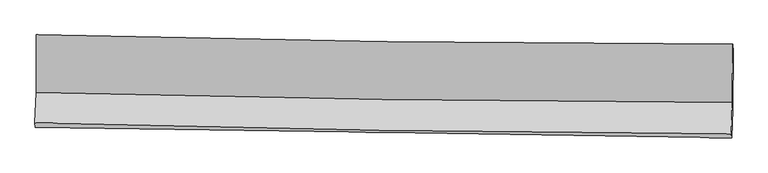
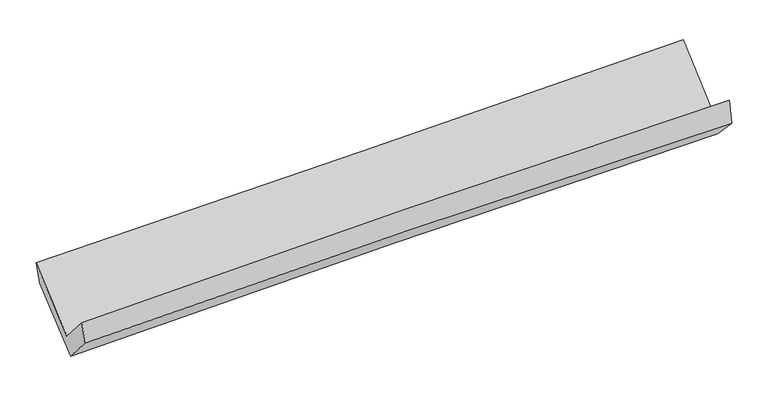
"""IFC4 building model written with IfcOpenShell, lengths in millimetres: proxy geometry."""

from ifc_helpers import new_model, si_unit, frame, origin, place, context, project, spatial, source, transform, mapped, element, save
from ifc_brep_helpers import plane_surface, spline_curve, spline_surface, advanced_brep


def generic_models_259494e6(model_context):
    return source(origin(), model_context, "Body", "AdvancedBrep", [
        advanced_brep(
        [(-3021.7003666, -1156.640919, 2154.8659364), (-3021.5742886, -1659.5997131, 1730.2974416), (3009.264807, -1743.5995812, 1876.6314744), (3012.7460007, -1239.002464, 2307.3700372), (-3032.1129987, -1921.5454701, 2028.9313738), (2998.2757059, -2016.0443581, 2187.0346013), (-3028.9698474, -1958.7322383, 1843.9417408), (3001.0497848, -2051.2878614, 1977.1091705), (-3019.1734658, -1715.4518353, 1566.1647596), (3010.5725751, -1806.4062692, 1719.2420419), (-3019.1742717, -1212.8371159, 1984.3070596), (3014.5616758, -1301.6273699, 2119.9368969)],
        [
            (0, 1),
            (1, 2, spline_curve(3, [(-3021.5742886, -1659.5997131, 1730.2974416), (-2016.33884899, -1685.145956539, 1780.718647199), (-1010.711225845, -1704.92014586, 1818.123043309), (999.569842584, -1732.899940104, 1866.85558666), (2004.221917975, -1741.125706932, 1878.229201612), (3009.264807, -1743.5995812, 1876.6314744)], [4, 2, 4], [0.0, 9.909180970567459, 19.801040477681713])),
            (2, 3),
            (3, 0, spline_curve(3, [(3012.7460007, -1239.002464, 2307.3700372), (2007.640026341, -1236.607499403, 2284.769440062), (1002.656299997, -1228.557510337, 2260.772805894), (-1008.826250685, -1201.123484252, 2209.94299904), (-2015.324647148, -1181.719625151, 2183.104933046), (-3021.7003666, -1156.640919, 2154.8659364)], [4, 2, 4], [0.0, 9.891859507114255, 19.801040477681713])),
            (1, 4),
            (4, 5, spline_curve(3, [(-3032.1129987, -1921.5454701, 2028.9313738), (-2026.904386803, -1947.755416414, 2079.799155989), (-1021.327764207, -1968.737616386, 2118.409127623), (988.80308935, -2000.218985486, 2171.067387426), (1993.356035122, -2010.736414619, 2185.158491008), (2998.2757059, -2016.0443581, 2187.0346013)], [4, 2, 4], [0.0, 9.906702176935665, 19.796087223403205])),
            (5, 2),
            (4, 6),
            (6, 7, spline_curve(3, [(-3028.9698474, -1958.7322383, 1843.9417408), (-2023.55428466, -1974.161476395, 1886.334848557), (-1017.905087242, -1989.595815528, 1918.629569723), (992.102272814, -2020.447707995, 1962.983439402), (1996.459619402, -2035.86524299, 1975.077861553), (3001.0497848, -2051.2878614, 1977.1091705)], [4, 2, 4], [0.0, 9.905541171992937, 19.793767242979595])),
            (7, 5),
            (6, 8),
            (8, 9, spline_curve(3, [(-3019.1734658, -1715.4518353, 1566.1647596), (-2013.436040981, -1724.540104441, 1597.685217677), (-1007.648892217, -1736.673066921, 1626.210428248), (1002.266628528, -1767.001846409, 1677.225726623), (2006.394826693, -1785.187028828, 1699.726276854), (3010.5725751, -1806.4062692, 1719.2420419)], [4, 2, 4], [0.0, 9.90434706128825, 19.791381108901657])),
            (9, 7),
            (8, 10),
            (10, 11, spline_curve(3, [(-3019.1742717, -1212.8371159, 1984.3070596), (-2012.815548502, -1232.686072126, 2010.136180998), (-1006.384947963, -1250.014007431, 2034.361713581), (1004.860618783, -1279.601953162, 2079.566058169), (2009.675334411, -1291.870769079, 2100.550471135), (3014.5616758, -1301.6273699, 2119.9368969)], [4, 2, 4], [0.0, 9.907209187035237, 19.79710035733769])),
            (11, 9),
            (10, 0),
            (3, 11),
        ],
        [
            spline_surface(3, 3, [[(-3021.7003666, -1156.640919, 2154.8659364), (-2015.324647157, -1181.719625061, 2183.104932916), (-1008.82625081, -1201.123484203, 2209.942999044), (1002.656300122, -1228.557510386, 2260.77280589), (2007.640026228, -1236.607499536, 2284.769440005), (3012.7460007, -1239.002464, 2307.3700372)], [(-3021.658340601, -1324.293850367, 2013.343104811), (-2015.662714408, -1349.528402219, 2048.976171009), (-1009.454575814, -1369.055704719, 2079.336347134), (1001.627480947, -1396.671653616, 2129.467066153), (2006.500656841, -1404.780235302, 2149.256027151), (3011.585602803, -1407.201503052, 2163.790516255)], [(-3021.616314599, -1491.946781733, 1871.820273189), (-2016.000781655, -1517.337179374, 1914.847409068), (-1010.082900836, -1536.987925303, 1948.729695212), (1000.598661754, -1564.785796914, 1998.161326404), (2005.361287446, -1572.952971112, 2013.742614334), (3010.425204897, -1575.400542148, 2020.210995345)], [(-3021.5742886, -1659.5997131, 1730.2974416), (-2016.338848906, -1685.145956532, 1780.71864716), (-1010.71122584, -1704.92014582, 1818.123043302), (999.569842579, -1732.899940144, 1866.855586667), (2004.221918059, -1741.125706878, 1878.229201481), (3009.264807, -1743.5995812, 1876.6314744)]], [4, 4], [4, 2, 4], [0.0, 2.096752166522612], [0.0, 9.909180970567459, 19.801040477681713]),
            spline_surface(3, 3, [[(-3021.5742886, -1659.5997131, 1730.2974416), (-2016.338848906, -1685.145956532, 1780.71864716), (-1010.71122584, -1704.92014582, 1818.123043302), (999.569842579, -1732.899940144, 1866.855586667), (2004.221918059, -1741.125706878, 1878.229201481), (3009.264807, -1743.5995812, 1876.6314744)], [(-3025.087191977, -1746.91496546, 1829.842085647), (-2019.860694889, -1772.682443164, 1880.412150043), (-1014.250071974, -1792.859302724, 1918.218404789), (995.980924857, -1822.006288561, 1968.259520192), (2000.599957044, -1830.995942782, 1980.538964714), (3005.601773293, -1834.414506836, 1980.099183384)], [(-3028.600095323, -1834.23021774, 1929.386729753), (-2023.382540842, -1860.218929717, 1980.105652985), (-1017.788918122, -1880.798459601, 2018.313766299), (992.392007121, -1911.112636951, 2069.663453739), (1996.97799605, -1920.866178676, 2082.848727894), (3001.938739607, -1925.229432464, 2083.566892316)], [(-3032.1129987, -1921.5454701, 2028.9313738), (-2026.904386825, -1947.755416349, 2079.799155868), (-1021.327764256, -1968.737616505, 2118.409127786), (988.803089399, -2000.218985367, 2171.067387263), (1993.356035034, -2010.73641458, 2185.158491127), (2998.2757059, -2016.0443581, 2187.0346013)]], [4, 4], [4, 2, 4], [0.0, 1.3204780650130945], [0.0, 9.906702176935665, 19.796087223403205]),
            spline_surface(3, 3, [[(-3032.1129987, -1921.5454701, 2028.9313738), (-2026.904386825, -1947.755416349, 2079.799155868), (-1021.327764256, -1968.737616505, 2118.409127786), (988.803089399, -2000.218985367, 2171.067387263), (1993.356035034, -2010.73641458, 2185.158491127), (2998.2757059, -2016.0443581, 2187.0346013)], [(-3031.065281589, -1933.941059486, 1967.268162806), (-2025.787686145, -1956.557436367, 2015.311053422), (-1020.18687192, -1975.690349561, 2051.815941758), (989.902817229, -2006.961892861, 2101.706071307), (1994.390563161, -2019.112690716, 2115.131614544), (2999.200398867, -2027.792192527, 2117.05945768)], [(-3030.017564511, -1946.336648914, 1905.604951794), (-2024.670985499, -1965.359456426, 1950.822950958), (-1019.045979618, -1982.643082618, 1985.222755744), (991.002545024, -2013.704800355, 2032.344755365), (1995.425091287, -2027.48896687, 2045.104738019), (3000.125091833, -2039.540026973, 2047.08431412)], [(-3028.9698474, -1958.7322383, 1843.9417408), (-2023.554284818, -1974.161476444, 1886.334848511), (-1017.905087282, -1989.595815674, 1918.629569716), (992.102272854, -2020.447707849, 1962.983439409), (1996.459619413, -2035.865243006, 1975.077861436), (3001.0497848, -2051.2878614, 1977.1091705)]], [4, 4], [4, 2, 4], [0.0, 0.6725205510262295], [0.0, 9.905541171992937, 19.793767242979595]),
            spline_surface(3, 3, [[(-3028.9698474, -1958.7322383, 1843.9417408), (-2023.554284818, -1974.161476444, 1886.334848511), (-1017.905087282, -1989.595815674, 1918.629569716), (992.102272854, -2020.447707849, 1962.983439409), (1996.459619413, -2035.865243006, 1975.077861436), (3001.0497848, -2051.2878614, 1977.1091705)], [(-3025.70438686, -1877.638770627, 1751.349413753), (-2020.181536849, -1890.954352476, 1790.118304963), (-1014.486355584, -1905.288232719, 1821.156522581), (995.490391389, -1935.965754069, 1867.730868509), (1999.771355188, -1952.305838303, 1883.293999966), (3004.224048248, -1969.660663996, 1891.153460982)], [(-3022.43892634, -1796.545302973, 1658.757086647), (-2016.808788899, -1807.747228528, 1693.901761355), (-1011.067623866, -1820.980649769, 1723.683475372), (998.878509944, -1851.483800295, 1772.478297535), (2003.08309092, -1868.746433613, 1791.51013845), (3007.398311652, -1888.033466604, 1805.197751418)], [(-3019.1734658, -1715.4518353, 1566.1647596), (-2013.436040929, -1724.54010456, 1597.685217807), (-1007.648892167, -1736.673066814, 1626.210428236), (1002.266628478, -1767.001846515, 1677.225726635), (2006.394826695, -1785.18702891, 1699.72627698), (3010.5725751, -1806.4062692, 1719.2420419)]], [4, 4], [4, 2, 4], [0.0, 1.2612334897434134], [0.0, 9.90434706128825, 19.791381108901657]),
            spline_surface(3, 3, [[(-3019.1734658, -1715.4518353, 1566.1647596), (-2013.436040929, -1724.54010456, 1597.685217807), (-1007.648892167, -1736.673066814, 1626.210428236), (1002.266628478, -1767.001846515, 1677.225726635), (2006.394826695, -1785.18702891, 1699.72627698), (3010.5725751, -1806.4062692, 1719.2420419)], [(-3019.173734436, -1547.913595518, 1705.54552624), (-2013.229210092, -1560.588760477, 1735.168872165), (-1007.227577449, -1574.453380386, 1762.260856686), (1003.131291945, -1604.535215334, 1811.33917044), (2007.488329235, -1620.748275643, 1833.3343417), (3011.902275327, -1638.146636128, 1852.806993558)], [(-3019.174003064, -1380.375355682, 1844.92629296), (-2013.022379246, -1396.637416339, 1872.652526605), (-1006.806262754, -1412.233694004, 1898.311285193), (1003.995955388, -1442.068584198, 1945.452614302), (2008.581831794, -1456.309522293, 1966.942406447), (3013.231975573, -1469.887002972, 1986.371945242)], [(-3019.1742717, -1212.8371159, 1984.3070596), (-2012.815548409, -1232.686072256, 2010.136180963), (-1006.384948035, -1250.014007577, 2034.361713643), (1004.860618854, -1279.601953016, 2079.566058108), (2009.675334334, -1291.870769025, 2100.550471167), (3014.5616758, -1301.6273699, 2119.9368969)]], [4, 4], [4, 2, 4], [0.0, 2.0786887287337574], [0.0, 9.907209187035237, 19.79710035733769]),
            spline_surface(3, 3, [[(-3019.1742717, -1212.8371159, 1984.3070596), (-2012.815548409, -1232.686072256, 2010.136180963), (-1006.384948035, -1250.014007577, 2034.361713643), (1004.860618854, -1279.601953016, 2079.566058108), (2009.675334334, -1291.870769025, 2100.550471167), (3014.5616758, -1301.6273699, 2119.9368969)], [(-3020.016303337, -1194.105050241, 2041.160018543), (-2013.651914662, -1215.697256499, 2067.792431624), (-1007.19871565, -1233.717166483, 2092.888808779), (1004.12584592, -1262.587138837, 2139.968307371), (2008.996898295, -1273.449679189, 2161.956794121), (3013.956450763, -1280.75240126, 2182.414610341)], [(-3020.858334963, -1175.372984659, 2098.012977457), (-2014.488280904, -1198.708440818, 2125.448682255), (-1008.012483196, -1217.420325296, 2151.415903908), (1003.391073056, -1245.572324565, 2200.370556627), (2008.318462267, -1255.028589372, 2223.363117051), (3013.351225737, -1259.87743264, 2244.892323759)], [(-3021.7003666, -1156.640919, 2154.8659364), (-2015.324647157, -1181.719625061, 2183.104932916), (-1008.82625081, -1201.123484203, 2209.942999044), (1002.656300122, -1228.557510386, 2260.77280589), (2007.640026228, -1236.607499536, 2284.769440005), (3012.7460007, -1239.002464, 2307.3700372)]], [4, 4], [4, 2, 4], [0.0, 0.6078381515611196], [0.0, 9.911031415264398, 19.80473813245809]),
            plane_surface(frame((3007.7450915, -1692.9946506, 2031.2207037), z_axis=(0.9996343093804249, -0.021212700945396665, 0.016771071168002607), x_axis=(0.006189496680243957, 0.7832159605983854, 0.621718947109378))),
            plane_surface(frame((-3023.7842065, -1604.1345486, 1884.7513853), z_axis=(-0.9996480246079976, 0.01696612801469643, -0.020395523957896483), x_axis=(0.014065429477503768, -0.31290338393198946, -0.9496808074387538))),
        ],
        [
            (0, [[1, 2, 3, 4]]),
            (1, [[5, 6, 7, -2]]),
            (2, [[8, 9, 10, -6]]),
            (3, [[11, 12, 13, -9]]),
            (4, [[14, 15, 16, -12]]),
            (5, [[17, -4, 18, -15]]),
            (6, [[-16, -18, -3, -7, -10, -13]]),
            (7, [[-17, -14, -11, -8, -5, -1]]),
        ],
    ),
    ])


if __name__ == "__main__":
    model = new_model("IFC4")
    model_context = context("Model", 3, world=origin())
    ifc_project = project(units=[si_unit("LENGTHUNIT", "METRE", prefix="MILLI")], contexts=[model_context])
    site = spatial("IfcSite", under=ifc_project)
    building = spatial("IfcBuilding", under=site)
    placement = place(None, origin())
    generic_models_shape = generic_models_259494e6(model_context)
    element("IfcBuildingElementProxy", 1, Name="Generic Models", at=placement, inside=building, context=model_context, shape_type="MappedRepresentation", body=[
        mapped(generic_models_shape, transform((0.0, 0.0, 0.0), x_axis=(1.0, 0.0, 0.0), y_axis=(0.0, 1.0, 0.0), z_axis=(0.0, 0.0, 1.0))),
    ])
    save(model, "model.ifc")
